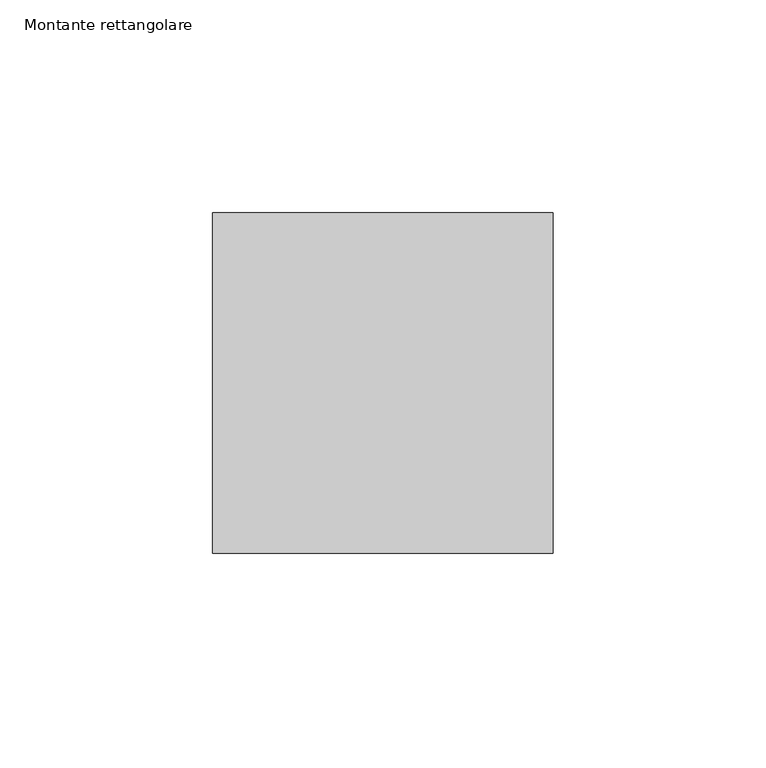
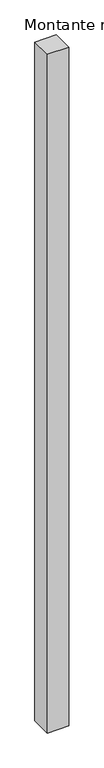
"""IFC4 building model written with IfcOpenShell, lengths in millimetres: member geometry, Montante rettangolare."""

from ifc_helpers import new_model, si_unit, frame, origin, place, context, project, spatial, polyline, outline, extrude, source, transform, mapped, element, save


def montante_rettangolare_463b1758(model_context):
    return source(origin(), model_context, "Body", "SweptSolid", [
        extrude(outline(polyline([(0.0, 40.0), (0.0, -40.0), (-80.0, -40.0), (-80.0, 40.0), (0.0, 40.0)])), frame((0.0, 0.0, -2672.9406255), z_axis=(0.0, 0.0, 1.0), x_axis=(1.0, 0.0, 0.0)), (0.0, 0.0, 1.0), 2672.9406255),
    ])


if __name__ == "__main__":
    model = new_model("IFC4")
    model_context = context("Model", 3, world=origin())
    ifc_project = project(units=[si_unit("LENGTHUNIT", "METRE", prefix="MILLI")], contexts=[model_context])
    site = spatial("IfcSite", under=ifc_project)
    building = spatial("IfcBuilding", under=site)
    placement = place(None, origin())
    montante_rettangolare_shape = montante_rettangolare_463b1758(model_context)
    element("IfcMember", 1, ObjectType="Montante rettangolare", at=placement, inside=building, context=model_context, shape_type="MappedRepresentation", body=[
        mapped(montante_rettangolare_shape, transform((0.0, 0.0, 0.0), x_axis=(1.0, 0.0, 0.0), y_axis=(0.0, 1.0, 0.0), z_axis=(0.0, 0.0, 1.0))),
    ])
    save(model, "model.ifc")
